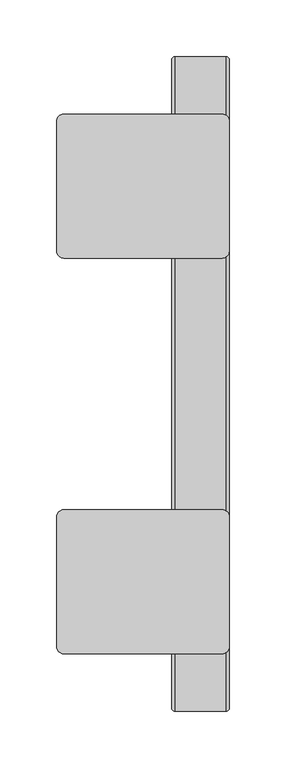
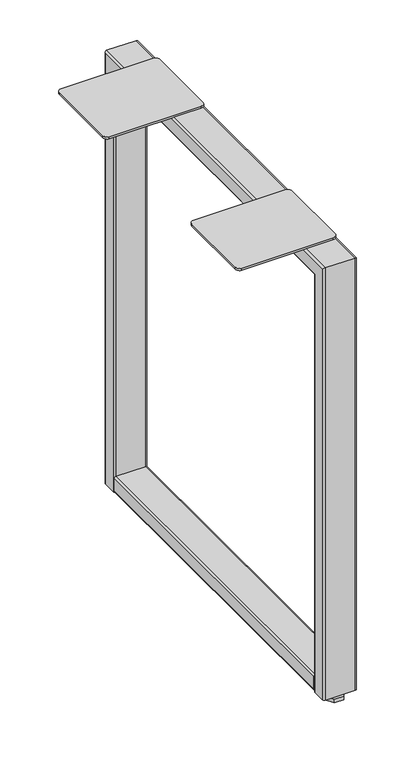
"""IFC4 building model written with IfcOpenShell, lengths in millimetres: furniture geometry."""

from ifc_helpers import new_model, si_unit, point, frame, frame_2d, origin, origin_with_axes, place, context, project, spatial, polyline, circle_curve, ellipse_curve, trimmed, segment, composite_curve, outline, extrude, source, transform, mapped, element, save
from ifc_brep_helpers import plane_surface, cylinder_surface, advanced_brep


def furniture_42cab42a(model_context):
    return source(origin(), model_context, "Body", "SolidModel", [
        extrude(outline(polyline([(-37.813262, -592.0946294), (-23.146738, -592.0946294), (-15.8134761, -604.7962117), (-23.146738, -617.497794), (-37.813262, -617.497794), (-45.1465239, -604.7962117), (-37.813262, -592.0946294)])), origin_with_axes(), (0.0, 0.0, 1.0), 5.5879998),
        extrude(outline(polyline([(-37.8123494, -46.2533875), (-23.1476506, -46.2533875), (-15.8153012, -58.9533893), (-23.1476506, -71.653391), (-37.8123494, -71.653391), (-45.1446988, -58.9533893), (-37.8123494, -46.2533875)])), origin_with_axes(), (0.0, 0.0, 1.0), 5.5879998),
        extrude(outline(polyline([(-32.8621655, -54.8273575), (-28.0978345, -54.8273575), (-25.7156689, -58.9533893), (-28.0978345, -63.079421), (-32.8621655, -63.079421), (-35.2443311, -58.9533893), (-32.8621655, -54.8273575)])), origin_with_axes(), (0.0, 0.0, 1.0), 68.199153),
        extrude(outline(polyline([(-32.8612504, -600.6717651), (-28.0987496, -600.6717651), (-25.7174992, -604.7962117), (-28.0987496, -608.9206584), (-32.8612504, -608.9206584), (-35.2425008, -604.7962117), (-32.8612504, -600.6717651)])), origin_with_axes(), (0.0, 0.0, 1.0), 68.199153),
        extrude(outline(composite_curve([segment(trimmed(circle_curve(frame_2d((34.4551, -53.1114001)), 2.7685999), [point((37.2236999, -53.1114001))], [point((34.4551, -55.88))], False, "CARTESIAN"), True, "CONTINUOUS"), segment(polyline([(34.4551, -55.88), (14.5922684, -55.88)]), True, "CONTINUOUS"), segment(trimmed(circle_curve(frame_2d((14.5922684, -53.111432)), 2.768568), [point((14.5922684, -55.88))], [point((11.8237003, -53.111432))], False, "CARTESIAN"), True, "CONTINUOUS"), segment(polyline([(11.8237003, -53.111432), (11.8237003, -7.8485992)]), True, "CONTINUOUS"), segment(trimmed(circle_curve(frame_2d((14.5922995, -7.8485992)), 2.7685992), [point((11.8237003, -7.8485992))], [point((14.5922995, -5.08))], False, "CARTESIAN"), True, "CONTINUOUS"), segment(polyline([(14.5922995, -5.08), (34.4551008, -5.08)]), True, "CONTINUOUS"), segment(trimmed(circle_curve(frame_2d((34.4551008, -7.8485992)), 2.7685992), [point((34.4551008, -5.08))], [point((37.2236999, -7.8485992))], False, "CARTESIAN"), True, "CONTINUOUS"), segment(polyline([(37.2236999, -7.8485992), (37.2236999, -53.1114001)]), True, "CONTINUOUS")], self_intersect=False)), frame((0.0, -595.1474, 0.0), z_axis=(0.0, 1.0, 0.0), x_axis=(0.0, 0.0, 1.0)), (0.0, 0.0, 1.0), 526.542),
        advanced_brep(
        [(-7.8485901, -620.8014, 11.8237003), (-53.111432, -620.8014, 11.8237003), (-55.8800083, -618.0328236, 11.8237003), (-55.8800083, -598.1700007, 11.8237003), (-53.1114046, -595.4013992, 11.8237003), (-7.8486105, -595.4013992, 11.8237003), (-5.08, -598.1700098, 11.8237003), (-5.08, -618.0328099, 11.8237003), (-5.08, -618.0328099, 705.0270995), (-7.8485901, -620.8014, 707.7956896), (-5.08, -598.1700098, 685.1642994), (-5.08, -65.5827902, 685.1642994), (-5.08, -65.5827902, 11.8237003), (-5.08, -45.7199901, 11.8237003), (-5.08, -45.7199901, 705.0270995), (-7.8486105, -595.4013992, 682.3956889), (-53.1114046, -595.4013992, 682.3956889), (-55.8799992, -598.1700007, 685.1642903), (-55.8800083, -618.0328236, 705.0271132), (-55.8800083, -45.7199764, 705.0271132), (-55.8800083, -45.7199764, 11.8237003), (-55.8800083, -65.5827993, 11.8237003), (-55.8800083, -65.5827993, 685.1642903), (-53.111432, -620.8014, 707.7956896), (-7.8485901, -42.9514, 707.7956896), (-7.8486105, -68.3514008, 682.3956889), (-53.1114046, -68.3514008, 682.3956889), (-53.111432, -42.9514, 707.7956896), (-7.8485901, -42.9514, 11.8237003), (-7.8486105, -68.3514008, 11.8237003), (-53.1114046, -68.3514008, 11.8237003), (-53.111432, -42.9514, 11.8237003)],
        [
            (0, 1),
            (1, 2, circle_curve(frame((-53.111432, -618.0328236, 11.8237003), z_axis=(0.0, 0.0, -1.0), x_axis=(-1.0, 0.0, 0.0)), 2.7685764)),
            (2, 3),
            (3, 4, circle_curve(frame((-53.1114046, -598.1699939, 11.8237003), z_axis=(0.0, 0.0, -1.0), x_axis=(-1.0, 0.0, 0.0)), 2.7685946)),
            (4, 5),
            (5, 6, circle_curve(frame((-7.8486105, -598.1700098, 11.8237003), z_axis=(0.0, 0.0, -1.0), x_axis=(-1.0, 0.0, 0.0)), 2.7686105)),
            (6, 7),
            (7, 0, circle_curve(frame((-7.8485901, -618.0328099, 11.8237003), z_axis=(0.0, 0.0, -1.0), x_axis=(-1.0, 0.0, 0.0)), 2.7685901)),
            (7, 8),
            (8, 9, ellipse_curve(frame((-7.8485901, -618.0328099, 705.0270995), z_axis=(0.0, -0.7071067811865476, -0.7071067811865475), x_axis=(0.0, 0.7071067811865474, -0.7071067811865476)), 3.9153777, 2.7685901)),
            (9, 0),
            (6, 10),
            (10, 11),
            (11, 12),
            (12, 13),
            (13, 14),
            (14, 8),
            (5, 15),
            (15, 10, ellipse_curve(frame((-7.8486105, -598.1700098, 685.1642994), z_axis=(0.0, -0.7071067811865476, -0.7071067811865475), x_axis=(0.0, 0.7071067811865474, -0.7071067811865476)), 3.9154066, 2.7686105)),
            (4, 16),
            (16, 15),
            (3, 17),
            (17, 16, ellipse_curve(frame((-53.1114046, -598.1699939, 685.1642835), z_axis=(0.0, -0.7071067811865476, -0.7071067811865475), x_axis=(0.0, 0.7071067811865474, -0.7071067811865476)), 3.9153841, 2.7685946)),
            (2, 18),
            (18, 19),
            (19, 20),
            (20, 21),
            (21, 22),
            (22, 17),
            (1, 23),
            (23, 18, ellipse_curve(frame((-53.111432, -618.0328236, 705.0271132), z_axis=(0.0, -0.7071067811865476, -0.7071067811865475), x_axis=(0.0, 0.7071067811865474, -0.7071067811865476)), 3.9153583, 2.7685764)),
            (9, 23),
            (14, 24, ellipse_curve(frame((-7.8485901, -45.7199901, 705.0270995), z_axis=(0.0, -0.7071067811865649, 0.70710678118653), x_axis=(0.0, -0.7071067811865303, -0.7071067811865648)), 3.9153777, 2.7685901)),
            (24, 9),
            (15, 25),
            (25, 11, ellipse_curve(frame((-7.8486105, -65.5827902, 685.1642994), z_axis=(0.0, -0.7071067811865649, 0.70710678118653), x_axis=(0.0, -0.7071067811865303, -0.7071067811865648)), 3.9154066, 2.7686105)),
            (16, 26),
            (26, 25),
            (22, 26, ellipse_curve(frame((-53.1114046, -65.5828061, 685.1642835), z_axis=(0.0, -0.7071067811865649, 0.70710678118653), x_axis=(0.0, -0.7071067811865303, -0.7071067811865648)), 3.9153841, 2.7685946)),
            (23, 27),
            (27, 19, ellipse_curve(frame((-53.111432, -45.7199764, 705.0271132), z_axis=(0.0, -0.7071067811865649, 0.70710678118653), x_axis=(0.0, -0.7071067811865303, -0.7071067811865648)), 3.9153583, 2.7685764)),
            (24, 27),
            (28, 13, circle_curve(frame((-7.8485901, -45.7199901, 11.8237003), z_axis=(0.0, 0.0, -1.0), x_axis=(-1.0, 0.0, 0.0)), 2.7685901)),
            (12, 29, circle_curve(frame((-7.8486105, -65.5827902, 11.8237003), z_axis=(0.0, 0.0, -1.0), x_axis=(-1.0, 0.0, 0.0)), 2.7686105)),
            (29, 30),
            (30, 21, circle_curve(frame((-53.1114046, -65.5828061, 11.8237003), z_axis=(0.0, 0.0, -1.0), x_axis=(-1.0, 0.0, 0.0)), 2.7685946)),
            (20, 31, circle_curve(frame((-53.111432, -45.7199764, 11.8237003), z_axis=(0.0, 0.0, -1.0), x_axis=(-1.0, 0.0, 0.0)), 2.7685764)),
            (31, 28),
            (28, 24),
            (25, 29),
            (26, 30),
            (27, 31),
        ],
        [
            plane_surface(frame((-5.08, -620.8014, 11.8237003), z_axis=(0.0, 0.0, -1.0), x_axis=(-1.0, 0.0, 0.0))),
            cylinder_surface(frame((-7.8485901, -618.0328099, 11.8237003), z_axis=(0.0, 0.0, -1.0), x_axis=(-1.0, 0.0, 0.0)), 2.7685901),
            plane_surface(frame((-5.08, -618.0328099, 11.8237003), z_axis=(1.0, 0.0, 0.0), x_axis=(0.0, 0.0, 1.0))),
            cylinder_surface(frame((-7.8486105, -598.1700098, 11.8237003), z_axis=(0.0, 0.0, -1.0), x_axis=(-1.0, 0.0, 0.0)), 2.7686105),
            plane_surface(frame((-7.8486105, -595.4013992, 11.8237003), z_axis=(0.0, 1.0, 0.0), x_axis=(0.0, 0.0, 1.0))),
            cylinder_surface(frame((-53.1114046, -598.1699939, 11.8237003), z_axis=(0.0, 0.0, -1.0), x_axis=(-1.0, 0.0, 0.0)), 2.7685946),
            plane_surface(frame((-55.8800083, -598.1700007, 11.8237003), z_axis=(-1.0, 0.0, 0.0), x_axis=(0.0, 0.0, 1.0))),
            cylinder_surface(frame((-53.111432, -618.0328236, 11.8237003), z_axis=(0.0, 0.0, -1.0), x_axis=(-1.0, 0.0, 0.0)), 2.7685764),
            plane_surface(frame((-53.111432, -620.8014, 11.8237003), z_axis=(0.0, -1.0, 0.0), x_axis=(0.0, 0.0, 1.0))),
            cylinder_surface(frame((-7.8485901, -620.8014, 705.0270995), z_axis=(0.0, -1.0, 0.0), x_axis=(-1.0, 0.0, 0.0)), 2.7685901),
            cylinder_surface(frame((-7.8486105, -620.8014, 685.1642994), z_axis=(0.0, -1.0, 0.0), x_axis=(-1.0, 0.0, 0.0)), 2.7686105),
            plane_surface(frame((-7.8486105, -595.4013992, 682.3956889), z_axis=(0.0, 0.0, -1.0), x_axis=(0.0, 1.0, 0.0))),
            cylinder_surface(frame((-53.1114046, -620.8014, 685.1642835), z_axis=(0.0, -1.0, 0.0), x_axis=(-1.0, 0.0, 0.0)), 2.7685946),
            cylinder_surface(frame((-53.111432, -620.8014, 705.0271132), z_axis=(0.0, -1.0, 0.0), x_axis=(-1.0, 0.0, 0.0)), 2.7685764),
            plane_surface(frame((-53.111432, -620.8014, 707.7956896), z_axis=(0.0, 0.0, 1.0), x_axis=(0.0, 1.0, 0.0))),
            plane_surface(frame((-5.08, -42.9514, 11.8237003), z_axis=(0.0, 0.0, -1.0), x_axis=(-1.0, 0.0, 0.0))),
            cylinder_surface(frame((-7.8485901, -45.7199901, 707.7956896), z_axis=(0.0, 0.0, 1.0), x_axis=(-1.0, 0.0, 0.0)), 2.7685901),
            cylinder_surface(frame((-7.8486105, -65.5827902, 707.7956896), z_axis=(0.0, 0.0, 1.0), x_axis=(-1.0, 0.0, 0.0)), 2.7686105),
            plane_surface(frame((-7.8486105, -68.3514008, 682.3956889), z_axis=(0.0, -1.0, 0.0), x_axis=(0.0, 0.0, -1.0))),
            cylinder_surface(frame((-53.1114046, -65.5828061, 707.7956896), z_axis=(0.0, 0.0, 1.0), x_axis=(-1.0, 0.0, 0.0)), 2.7685946),
            cylinder_surface(frame((-53.111432, -45.7199764, 707.7956896), z_axis=(0.0, 0.0, 1.0), x_axis=(-1.0, 0.0, 0.0)), 2.7685764),
            plane_surface(frame((-53.111432, -42.9514, 707.7956896), z_axis=(0.0, 1.0, 0.0), x_axis=(0.0, 0.0, -1.0))),
        ],
        [
            (0, [[1, 2, 3, 4, 5, 6, 7, 8]]),
            (1, [[9, 10, 11, -8]]),
            (2, [[12, 13, 14, 15, 16, 17, -9, -7]]),
            (3, [[18, 19, -12, -6]]),
            (4, [[20, 21, -18, -5]]),
            (5, [[22, 23, -20, -4]]),
            (6, [[24, 25, 26, 27, 28, 29, -22, -3]]),
            (7, [[30, 31, -24, -2]]),
            (8, [[-11, 32, -30, -1]]),
            (9, [[-17, 33, 34, -10]]),
            (10, [[35, 36, -13, -19]]),
            (11, [[37, 38, -35, -21]]),
            (12, [[-29, 39, -37, -23]]),
            (13, [[40, 41, -25, -31]]),
            (14, [[-34, 42, -40, -32]]),
            (15, [[43, -15, 44, 45, 46, -27, 47, 48]]),
            (16, [[-16, -43, 49, -33]]),
            (17, [[50, -44, -14, -36]]),
            (18, [[51, -45, -50, -38]]),
            (19, [[-28, -46, -51, -39]]),
            (20, [[52, -47, -26, -41]]),
            (21, [[-49, -48, -52, -42]]),
        ],
    ),
        extrude(outline(composite_curve([segment(trimmed(circle_curve(frame_2d((-11.3982233, -563.6831767)), 6.3182233), [point((-5.08, -563.6831767))], [point((-11.3982233, -570.0014))], False, "CARTESIAN"), True, "CONTINUOUS"), segment(polyline([(-11.3982233, -570.0014), (-151.0982245, -570.0014)]), True, "CONTINUOUS"), segment(trimmed(circle_curve(frame_2d((-151.0982245, -563.6514426)), 6.3499574), [point((-151.0982245, -570.0014))], [point((-157.4481819, -563.6514426))], False, "CARTESIAN"), True, "CONTINUOUS"), segment(polyline([(-157.4481819, -563.6514426), (-157.4481819, -449.3513758)]), True, "CONTINUOUS"), segment(trimmed(circle_curve(frame_2d((-151.0982061, -449.3513758)), 6.3499758), [point((-157.4481819, -449.3513758))], [point((-151.0982061, -443.0014))], False, "CARTESIAN"), True, "CONTINUOUS"), segment(polyline([(-151.0982061, -443.0014), (-11.3982735, -443.0014)]), True, "CONTINUOUS"), segment(trimmed(circle_curve(frame_2d((-11.3982735, -449.3196735)), 6.3182735), [point((-11.3982735, -443.0014))], [point((-5.08, -449.3196735))], False, "CARTESIAN"), True, "CONTINUOUS"), segment(polyline([(-5.08, -449.3196735), (-5.08, -563.6831767)]), True, "CONTINUOUS")], self_intersect=False)), frame((0.0, 0.0, 707.7956896), z_axis=(0.0, 0.0, 1.0), x_axis=(1.0, 0.0, 0.0)), (0.0, 0.0, 1.0), 3.4036),
        extrude(outline(composite_curve([segment(trimmed(circle_curve(frame_2d((-11.3981781, -214.4013943)), 6.3499996), [point((-5.08, -215.036312))], [point((-11.3981781, -220.7513939))], False, "CARTESIAN"), True, "CONTINUOUS"), segment(polyline([(-11.3981781, -220.7513939), (-151.0982697, -220.7513939)]), True, "CONTINUOUS"), segment(trimmed(circle_curve(frame_2d((-151.0982697, -214.4014818)), 6.3499122), [point((-151.0982697, -220.7513939))], [point((-157.4481819, -214.4014818))], False, "CARTESIAN"), True, "CONTINUOUS"), segment(polyline([(-157.4481819, -214.4014818), (-157.4481819, -100.1013537)]), True, "CONTINUOUS"), segment(trimmed(circle_curve(frame_2d((-151.0982297, -100.1013537)), 6.3499522), [point((-157.4481819, -100.1013537))], [point((-151.0982297, -93.7514015))], False, "CARTESIAN"), True, "CONTINUOUS"), segment(polyline([(-151.0982297, -93.7514015), (-11.3981273, -93.7514015)]), True, "CONTINUOUS"), segment(trimmed(circle_curve(frame_2d((-11.3981273, -100.0695288)), 6.3181273), [point((-11.3981273, -93.7514015))], [point((-5.08, -100.0695288))], False, "CARTESIAN"), True, "CONTINUOUS"), segment(polyline([(-5.08, -100.0695288), (-5.08, -215.036312)]), True, "CONTINUOUS")], self_intersect=False)), frame((0.0, 0.0, 707.7956896), z_axis=(0.0, 0.0, 1.0), x_axis=(1.0, 0.0, 0.0)), (0.0, 0.0, 1.0), 3.4036),
    ])


if __name__ == "__main__":
    model = new_model("IFC4")
    model_context = context("Model", 3, world=origin())
    ifc_project = project(units=[si_unit("LENGTHUNIT", "METRE", prefix="MILLI")], contexts=[model_context])
    site = spatial("IfcSite", under=ifc_project)
    building = spatial("IfcBuilding", under=site)
    placement = place(None, origin())
    furniture_shape = furniture_42cab42a(model_context)
    element("IfcFurniture", 1, at=placement, inside=building, context=model_context, shape_type="MappedRepresentation", body=[
        mapped(furniture_shape, transform((0.0, 0.0, 0.0), x_axis=(1.0, 0.0, 0.0), y_axis=(0.0, 1.0, 0.0), z_axis=(0.0, 0.0, 1.0))),
    ])
    save(model, "model.ifc")
